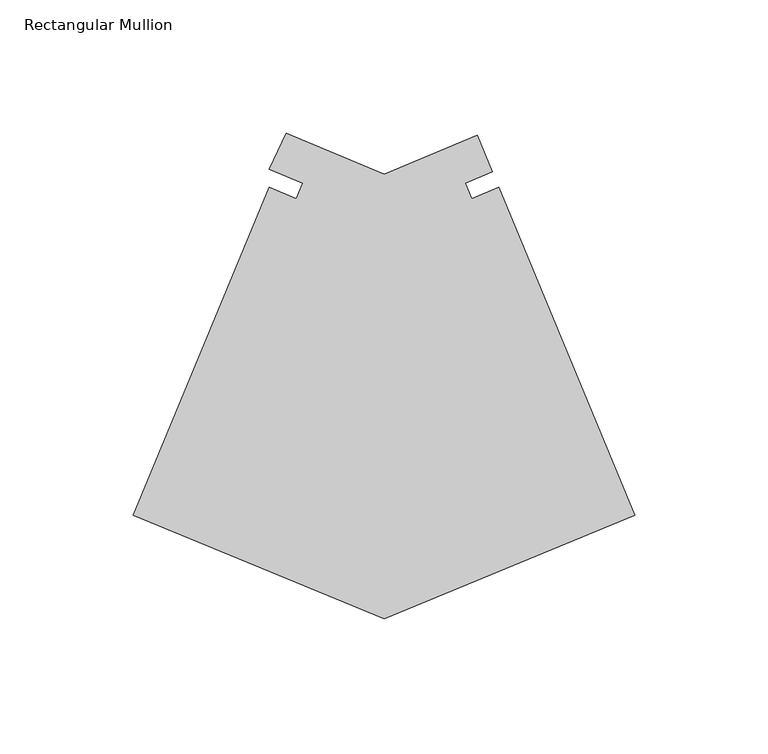
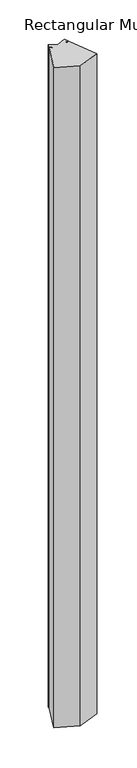
"""IFC4 building model written with IfcOpenShell, lengths in millimetres: member geometry, Rectangular Mullion."""

from ifc_helpers import new_model, si_unit, frame, origin, place, context, project, spatial, polyline, outline, extrude, source, transform, mapped, element, save


def rectangular_mullion_bef1ea15(model_context):
    return source(origin(), model_context, "Body", "SweptSolid", [
        extrude(outline(polyline([(-93.8661605, -70.1863096), (-187.732321, -31.3056729), (-136.8904157, 91.4375443), (-126.680064, 87.2082782), (-124.2531935, 93.0672617), (-136.7803962, 98.2561989), (-130.5404454, 111.6657991), (-93.8661605, 96.4748129), (-58.923605, 110.9484933), (-53.2687757, 97.2965279), (-63.4791275, 93.0672617), (-61.052257, 87.2082782), (-50.8419053, 91.4375443), (0.0, -31.3056729), (-93.8661605, -70.1863096)])), frame((0.0, 0.0, -3048.0), z_axis=(0.0, 0.0, 1.0), x_axis=(1.0, 0.0, 0.0)), (0.0, 0.0, 1.0), 3048.0),
    ])


if __name__ == "__main__":
    model = new_model("IFC4")
    model_context = context("Model", 3, world=origin())
    ifc_project = project(units=[si_unit("LENGTHUNIT", "METRE", prefix="MILLI")], contexts=[model_context])
    site = spatial("IfcSite", under=ifc_project)
    building = spatial("IfcBuilding", under=site)
    placement = place(None, origin())
    rectangular_mullion_shape = rectangular_mullion_bef1ea15(model_context)
    element("IfcMember", 1, ObjectType="Rectangular Mullion", at=placement, inside=building, context=model_context, shape_type="MappedRepresentation", body=[
        mapped(rectangular_mullion_shape, transform((0.0, 0.0, 0.0), x_axis=(1.0, 0.0, 0.0), y_axis=(0.0, 1.0, 0.0), z_axis=(0.0, 0.0, 1.0))),
    ])
    save(model, "model.ifc")
